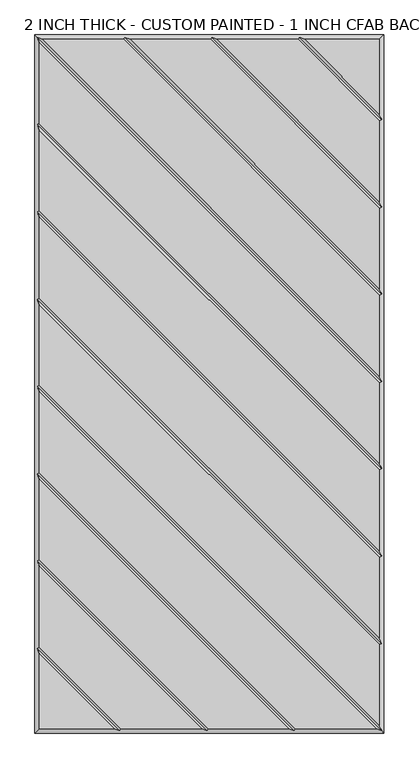
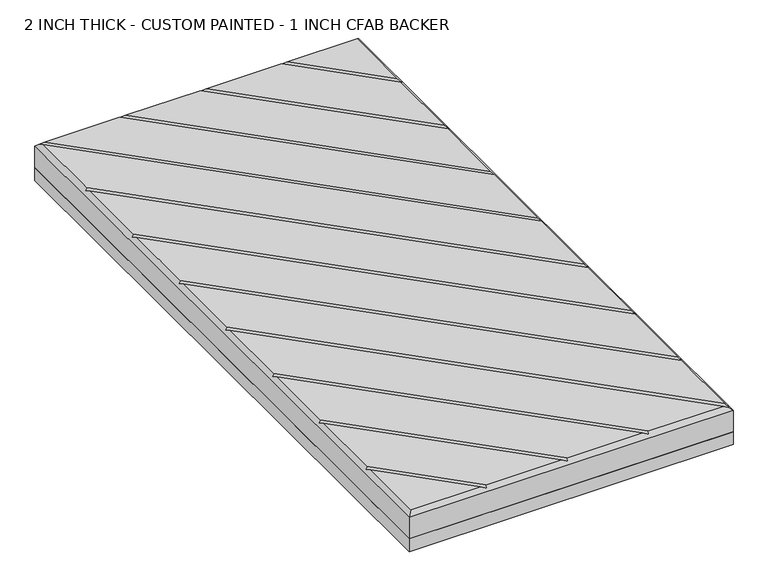
"""IFC4 building model written with IfcOpenShell, lengths in millimetres: proxy geometry, 2 INCH THICK - CUSTOM PAINTED - 1 INCH CFAB BACKER."""

from ifc_helpers import new_model, si_unit, frame, origin, place, context, project, spatial, polyline, outline, extrude, faceted_brep, source, transform, mapped, element, save


def proxy_2_inch_thick_custom_painted_1_inch_cfab_backer_bba044bf(model_context):
    return source(origin(), model_context, "Body", "SolidModel", [
        extrude(outline(polyline([(-304.8, 609.6), (304.8, 609.6), (304.8, -609.6), (-304.8, -609.6), (-304.8, 609.6)])), frame((0.0, 0.0, -25.4), z_axis=(0.0, 0.0, 1.0), x_axis=(1.0, 0.0, 0.0)), (0.0, 0.0, 1.0), 25.4),
        faceted_brep([(296.799, 601.599, 50.8), (166.0590948, 601.599, 50.8), (296.799, 470.8590948, 50.8), (-296.799, -601.599, 50.8), (-166.0590079, -601.599, 50.8), (-296.799, -470.8585721, 50.8), (296.799, 459.543972, 50.8), (154.743972, 601.599, 50.8), (13.6585868, 601.599, 50.8), (296.799, 318.4585868, 50.8), (296.799, 307.143464, 50.8), (2.343464, 601.599, 50.8), (-138.7419092, 601.599, 50.8), (296.799, 166.0585747, 50.8), (296.799, 154.7434583, 50.8), (-150.0570382, 601.599, 50.8), (-291.1414386, 601.599, 50.8), (296.799, 13.6585614, 50.8), (296.799, 2.3434386, 50.8), (-296.799, 595.9414386, 50.8), (-296.799, 454.8565868, 50.8), (296.799, -138.7414132, 50.8), (296.799, -150.056536, 50.8), (-296.799, 443.541464, 50.8), (-296.799, 302.4565868, 50.8), (296.799, -291.1414132, 50.8), (296.799, -302.456536, 50.8), (-296.799, 291.141464, 50.8), (-296.799, 150.0565868, 50.8), (296.799, -443.5414132, 50.8), (296.799, -454.856536, 50.8), (-296.799, 138.741464, 50.8), (-296.799, -2.3434386, 50.8), (296.799, -595.9414386, 50.8), (291.1414386, -601.599, 50.8), (-296.799, -13.6585614, 50.8), (-296.799, -154.7434132, 50.8), (150.0565868, -601.599, 50.8), (-296.799, -459.5434305, 50.8), (-154.743904, -601.599, 50.8), (-13.6585605, -601.599, 50.8), (-296.799, -318.4585369, 50.8), (-296.799, -307.1434137, 50.8), (-2.3434382, -601.599, 50.8), (138.741464, -601.599, 50.8), (-296.799, -166.058536, 50.8), (-304.8, 609.6, 0.0), (304.8, 609.6, 0.0), (304.8, -609.6, 0.0), (-304.8, -609.6, 0.0), (-304.8, -609.6, 42.799), (-304.8, 609.6, 42.799), (304.8, -609.6, 42.799), (304.8, 609.6, 42.799), (-300.7995, 605.5995, 46.7995), (-148.3999782, 605.5995, 46.7995), (4.0005254, 605.5995, 46.7995), (156.4010334, 605.5995, 46.7995), (-300.7995, -461.2004879, 46.7995), (-300.7995, -308.8004749, 46.7995), (-300.7995, -156.4004746, 46.7995), (-300.7995, -4.0005, 46.7995), (-300.7995, 148.3995254, 46.7995), (-300.7995, 300.7995254, 46.7995), (-300.7995, 453.1995254, 46.7995), (300.7995, -605.5995, 46.7995), (148.3995254, -605.5995, 46.7995), (-4.0004997, -605.5995, 46.7995), (-156.4009693, -605.5995, 46.7995), (300.7995, 461.2010334, 46.7995), (300.7995, 308.8005254, 46.7995), (300.7995, 156.400521, 46.7995), (300.7995, 4.0005, 46.7995), (300.7995, -148.3994746, 46.7995), (300.7995, -300.7994746, 46.7995), (300.7995, -453.1994746, 46.7995)], [[[0, 1, 2]], [[3, 4, 5]], [[6, 7, 8, 9]], [[10, 11, 12, 13]], [[14, 15, 16, 17]], [[18, 19, 20, 21]], [[22, 23, 24, 25]], [[26, 27, 28, 29]], [[30, 31, 32, 33]], [[34, 35, 36, 37]], [[38, 39, 40, 41]], [[42, 43, 44, 45]], [[46, 47, 48, 49]], [[46, 49, 50, 51]], [[49, 48, 52, 50]], [[48, 47, 53, 52]], [[47, 46, 51, 53]], [[0, 53, 51, 54, 16, 15, 55, 12, 11, 56, 8, 7, 57, 1]], [[50, 3, 5, 58, 38, 41, 59, 42, 45, 60, 36, 35, 61, 32, 31, 62, 28, 27, 63, 24, 23, 64, 20, 19, 54, 51]], [[3, 50, 52, 65, 34, 37, 66, 44, 43, 67, 40, 39, 68, 4]], [[53, 0, 2, 69, 6, 9, 70, 10, 13, 71, 14, 17, 72, 18, 21, 73, 22, 25, 74, 26, 29, 75, 30, 33, 65, 52]], [[57, 69, 2, 1]], [[69, 57, 7, 6]], [[56, 70, 9, 8]], [[70, 56, 11, 10]], [[55, 71, 13, 12]], [[71, 55, 15, 14]], [[54, 72, 17, 16]], [[72, 54, 19, 18]], [[64, 73, 21, 20]], [[73, 64, 23, 22]], [[63, 74, 25, 24]], [[74, 63, 27, 26]], [[62, 75, 29, 28]], [[75, 62, 31, 30]], [[61, 65, 33, 32]], [[65, 61, 35, 34]], [[58, 68, 39, 38]], [[68, 58, 5, 4]], [[59, 67, 43, 42]], [[67, 59, 41, 40]], [[60, 66, 37, 36]], [[66, 60, 45, 44]]]),
    ])


if __name__ == "__main__":
    model = new_model("IFC4")
    model_context = context("Model", 3, world=origin())
    ifc_project = project(units=[si_unit("LENGTHUNIT", "METRE", prefix="MILLI")], contexts=[model_context])
    site = spatial("IfcSite", under=ifc_project)
    building = spatial("IfcBuilding", under=site)
    placement = place(None, origin())
    proxy_2_inch_thick_custom_painted_1_inch_cfab_backer_shape = proxy_2_inch_thick_custom_painted_1_inch_cfab_backer_bba044bf(model_context)
    element("IfcBuildingElementProxy", 1, Name="2 INCH THICK - CUSTOM PAINTED - 1 INCH CFAB BACKER", ObjectType="2 INCH THICK - CUSTOM PAINTED - 1 INCH CFAB BACKER", at=placement, inside=building, context=model_context, shape_type="MappedRepresentation", body=[
        mapped(proxy_2_inch_thick_custom_painted_1_inch_cfab_backer_shape, transform((0.0, 0.0, 0.0), x_axis=(1.0, 0.0, 0.0), y_axis=(0.0, 1.0, 0.0), z_axis=(0.0, 0.0, 1.0))),
    ])
    save(model, "model.ifc")
